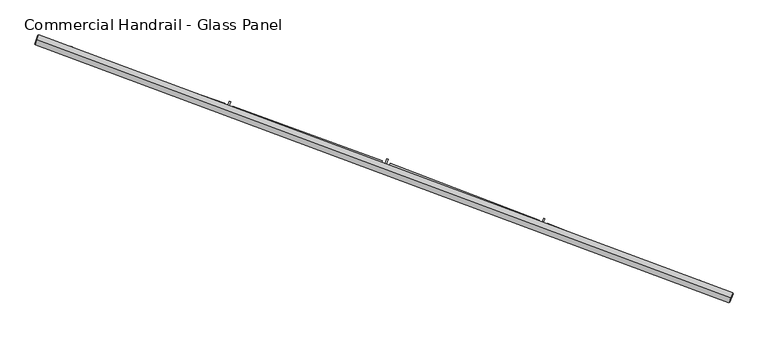
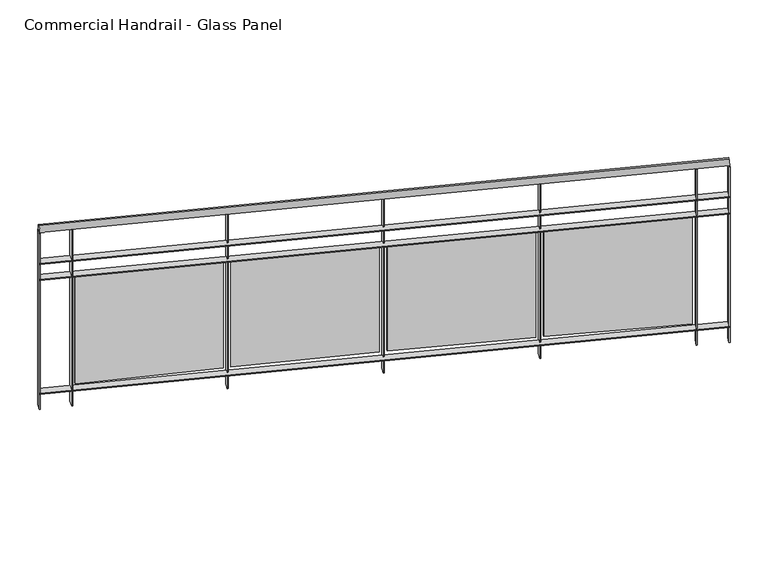
"""IFC4 building model written with IfcOpenShell, lengths in millimetres: railing geometry, Commercial Handrail - Glass Panel."""

from ifc_helpers import new_model, si_unit, point, frame, origin, place, context, project, spatial, polyline, circle_curve, ellipse_curve, trimmed, outline, extrude, source, transform, mapped, element, save
from ifc_brep_helpers import plane_surface, cylinder_surface, revolved_surface, advanced_brep


def commercial_handrail_glass_panel_588426dd(model_context):
    return source(origin(), model_context, "Body", "SolidModel", [
        advanced_brep(
        [(154688.5443704, -12503.5611776, 12882.5), (151378.1394206, -11272.5411914, 12882.5), (151378.1394206, -11272.5411914, 12917.5), (154688.5443704, -12503.5611776, 12917.5)],
        [
            (0, 1, circle_curve(frame((133423.8827296, -64620.9486284, 12882.5), z_axis=(0.0, 0.0, 1.0), x_axis=(0.31896783130581285, 0.9477655419944674, 0.0)), 56288.6126085)),
            (1, 2, ellipse_curve(frame((151378.1394206, -11272.5411914, 12900.0), z_axis=(0.9477655419944653, -0.318967831305819, 0.0), x_axis=(-0.318967831305819, -0.9477655419944653, 0.0)), 25.0, 17.5)),
            (2, 3, circle_curve(frame((133423.8827296, -64620.9486284, 12917.5), z_axis=(0.0, 0.0, -1.0), x_axis=(0.31896783130581285, 0.9477655419944674, 0.0)), 56288.6126085)),
            (3, 0, ellipse_curve(frame((154688.5443704, -12503.5611776, 12900.0), z_axis=(-0.9258957546749953, 0.3777791040738237, 0.0), x_axis=(-0.3777791040738237, -0.9258957546749953, 0.0)), 25.0, 17.5)),
            (2, 1, ellipse_curve(frame((151378.1394206, -11272.5411914, 12900.0), z_axis=(0.9477655419944653, -0.318967831305819, 0.0), x_axis=(-0.318967831305819, -0.9477655419944653, 0.0)), 25.0, 17.5)),
            (0, 3, ellipse_curve(frame((154688.5443704, -12503.5611776, 12900.0), z_axis=(-0.9258957546749953, 0.3777791040738237, 0.0), x_axis=(-0.3777791040738237, -0.9258957546749953, 0.0)), 25.0, 17.5)),
        ],
        [
            revolved_surface(trimmed(ellipse_curve(frame((151378.1394206, -11272.5411914, 12900.0), z_axis=(-0.9477655419944674, 0.31896783130581285, 0.0), x_axis=(0.0, 0.0, -1.0)), 17.5, 25.0), [point((151378.1394206, -11272.5411914, 12917.5))], [point((151378.1394206, -11272.5411914, 12882.5))], True, "CARTESIAN"), (133423.8827296, -64620.9486284, 12900.0), (0.0, 0.0, -1.0)),
            revolved_surface(trimmed(ellipse_curve(frame((151378.1394206, -11272.5411914, 12900.0), z_axis=(-0.9477655419944674, 0.31896783130581285, 0.0), x_axis=(0.0, 0.0, -1.0)), 17.5, 25.0), [point((151378.1394206, -11272.5411914, 12882.5))], [point((151378.1394206, -11272.5411914, 12917.5))], True, "CARTESIAN"), (133423.8827296, -64620.9486284, 12900.0), (0.0, 0.0, -1.0)),
            plane_surface(frame((151378.1394206, -11272.5411914, 12900.0), z_axis=(-0.9477655419944674, 0.31896783130581285, 0.0), x_axis=(0.31896783130581285, 0.9477655419944674, 0.0))),
            plane_surface(frame((154688.5443704, -12503.5611776, 12900.0), z_axis=(0.9258957546749954, -0.3777791040738237, 0.0), x_axis=(0.3777791040738237, 0.9258957546749954, 0.0))),
        ],
        [
            (0, [[1, 2, 3, 4]]),
            (1, [[-3, 5, -1, 6]]),
            (2, [[-2, -5]]),
            (3, [[-6, -4]]),
        ],
    ),
        advanced_brep(
        [(154697.0444003, -12482.7285231, 12700.0), (151385.3161968, -11251.2164667, 12700.0), (151370.9626444, -11293.865916, 12700.0), (154680.0443406, -12524.3938321, 12700.0), (154697.0444003, -12482.7285231, 12694.0), (151385.3161968, -11251.2164667, 12694.0), (154680.0443406, -12524.3938321, 12694.0), (151370.9626444, -11293.865916, 12694.0)],
        [
            (0, 1, circle_curve(frame((133423.8827296, -64620.9486284, 12700.0), z_axis=(0.0, 0.0, 1.0), x_axis=(0.31896783130581285, 0.9477655419944674, 0.0)), 56311.1126085)),
            (1, 2),
            (2, 3, circle_curve(frame((133423.8827296, -64620.9486284, 12700.0), z_axis=(0.0, 0.0, -1.0), x_axis=(0.31896783130581285, 0.9477655419944674, 0.0)), 56266.1126085)),
            (3, 0),
            (4, 5, circle_curve(frame((133423.8827296, -64620.9486284, 12694.0), z_axis=(0.0, 0.0, 1.0), x_axis=(0.31896783130581285, 0.9477655419944674, 0.0)), 56311.1126085)),
            (5, 1),
            (0, 4),
            (6, 7, circle_curve(frame((133423.8827296, -64620.9486284, 12694.0), z_axis=(0.0, 0.0, 1.0), x_axis=(0.31896783130581285, 0.9477655419944674, 0.0)), 56266.1126085)),
            (7, 5),
            (4, 6),
            (2, 7),
            (6, 3),
        ],
        [
            plane_surface(frame((133423.8827296, -64620.9486284, 12700.0), z_axis=(0.0, 0.0, 1.0), x_axis=(0.31896783130581285, 0.9477655419944674, 0.0))),
            cylinder_surface(frame((133423.8827296, -64620.9486284, 12700.0), z_axis=(0.0, 0.0, -1.0), x_axis=(0.31896783130581285, 0.9477655419944674, 0.0)), 56311.1126085),
            plane_surface(frame((133423.8827296, -64620.9486284, 12694.0), z_axis=(0.0, 0.0, -1.0), x_axis=(0.31896783130581285, 0.9477655419944674, 0.0))),
            revolved_surface(polyline([(151370.9626443419, -11293.865916083261, 12694.0), (151370.9626443419, -11293.865916083261, 12700.0)]), (133423.8827296, -64620.9486284, 12700.0), (0.0, 0.0, -1.0)),
            plane_surface(frame((151378.1394206, -11272.5411914, 12700.0), z_axis=(-0.9477655419944674, 0.31896783130581285, 0.0), x_axis=(0.31896783130581285, 0.9477655419944674, 0.0))),
            plane_surface(frame((154688.5443704, -12503.5611776, 12700.0), z_axis=(0.9258957546749954, -0.3777791040738237, 0.0), x_axis=(0.3777791040738237, 0.9258957546749954, 0.0))),
        ],
        [
            (0, [[1, 2, 3, 4]]),
            (1, [[5, 6, -1, 7]]),
            (2, [[8, 9, -5, 10]]),
            (3, [[-3, 11, -8, 12]]),
            (4, [[-2, -6, -9, -11]]),
            (5, [[-12, -10, -7, -4]]),
        ],
    ),
        advanced_brep(
        [(154697.0444003, -12482.7285231, 12600.0), (151385.3161968, -11251.2164667, 12600.0), (151370.9626444, -11293.865916, 12600.0), (154680.0443406, -12524.3938321, 12600.0), (154697.0444003, -12482.7285231, 12594.0), (151385.3161968, -11251.2164667, 12594.0), (154680.0443406, -12524.3938321, 12594.0), (151370.9626444, -11293.865916, 12594.0)],
        [
            (0, 1, circle_curve(frame((133423.8827296, -64620.9486284, 12600.0), z_axis=(0.0, 0.0, 1.0), x_axis=(0.31896783130581285, 0.9477655419944674, 0.0)), 56311.1126085)),
            (1, 2),
            (2, 3, circle_curve(frame((133423.8827296, -64620.9486284, 12600.0), z_axis=(0.0, 0.0, -1.0), x_axis=(0.31896783130581285, 0.9477655419944674, 0.0)), 56266.1126085)),
            (3, 0),
            (4, 5, circle_curve(frame((133423.8827296, -64620.9486284, 12594.0), z_axis=(0.0, 0.0, 1.0), x_axis=(0.31896783130581285, 0.9477655419944674, 0.0)), 56311.1126085)),
            (5, 1),
            (0, 4),
            (6, 7, circle_curve(frame((133423.8827296, -64620.9486284, 12594.0), z_axis=(0.0, 0.0, 1.0), x_axis=(0.31896783130581285, 0.9477655419944674, 0.0)), 56266.1126085)),
            (7, 5),
            (4, 6),
            (2, 7),
            (6, 3),
        ],
        [
            plane_surface(frame((133423.8827296, -64620.9486284, 12600.0), z_axis=(0.0, 0.0, 1.0), x_axis=(0.31896783130581285, 0.9477655419944674, 0.0))),
            cylinder_surface(frame((133423.8827296, -64620.9486284, 12600.0), z_axis=(0.0, 0.0, -1.0), x_axis=(0.31896783130581285, 0.9477655419944674, 0.0)), 56311.1126085),
            plane_surface(frame((133423.8827296, -64620.9486284, 12594.0), z_axis=(0.0, 0.0, -1.0), x_axis=(0.31896783130581285, 0.9477655419944674, 0.0))),
            revolved_surface(polyline([(151370.9626443419, -11293.865916083261, 12594.0), (151370.9626443419, -11293.865916083261, 12600.0)]), (133423.8827296, -64620.9486284, 12600.0), (0.0, 0.0, -1.0)),
            plane_surface(frame((151378.1394206, -11272.5411914, 12600.0), z_axis=(-0.9477655419944674, 0.31896783130581285, 0.0), x_axis=(0.31896783130581285, 0.9477655419944674, 0.0))),
            plane_surface(frame((154688.5443704, -12503.5611776, 12600.0), z_axis=(0.9258957546749954, -0.3777791040738237, 0.0), x_axis=(0.3777791040738237, 0.9258957546749954, 0.0))),
        ],
        [
            (0, [[1, 2, 3, 4]]),
            (1, [[5, 6, -1, 7]]),
            (2, [[8, 9, -5, 10]]),
            (3, [[-3, 11, -8, 12]]),
            (4, [[-2, -6, -9, -11]]),
            (5, [[-12, -10, -7, -4]]),
        ],
    ),
        advanced_brep(
        [(154697.0444003, -12482.7285231, 11900.0), (151385.3161968, -11251.2164667, 11900.0), (151370.9626444, -11293.865916, 11900.0), (154680.0443406, -12524.3938321, 11900.0), (154697.0444003, -12482.7285231, 11894.0), (151385.3161968, -11251.2164667, 11894.0), (154680.0443406, -12524.3938321, 11894.0), (151370.9626444, -11293.865916, 11894.0)],
        [
            (0, 1, circle_curve(frame((133423.8827296, -64620.9486284, 11900.0), z_axis=(0.0, 0.0, 1.0), x_axis=(0.31896783130581285, 0.9477655419944674, 0.0)), 56311.1126085)),
            (1, 2),
            (2, 3, circle_curve(frame((133423.8827296, -64620.9486284, 11900.0), z_axis=(0.0, 0.0, -1.0), x_axis=(0.31896783130581285, 0.9477655419944674, 0.0)), 56266.1126085)),
            (3, 0),
            (4, 5, circle_curve(frame((133423.8827296, -64620.9486284, 11894.0), z_axis=(0.0, 0.0, 1.0), x_axis=(0.31896783130581285, 0.9477655419944674, 0.0)), 56311.1126085)),
            (5, 1),
            (0, 4),
            (6, 7, circle_curve(frame((133423.8827296, -64620.9486284, 11894.0), z_axis=(0.0, 0.0, 1.0), x_axis=(0.31896783130581285, 0.9477655419944674, 0.0)), 56266.1126085)),
            (7, 5),
            (4, 6),
            (2, 7),
            (6, 3),
        ],
        [
            plane_surface(frame((133423.8827296, -64620.9486284, 11900.0), z_axis=(0.0, 0.0, 1.0), x_axis=(0.31896783130581285, 0.9477655419944674, 0.0))),
            cylinder_surface(frame((133423.8827296, -64620.9486284, 11900.0), z_axis=(0.0, 0.0, -1.0), x_axis=(0.31896783130581285, 0.9477655419944674, 0.0)), 56311.1126085),
            plane_surface(frame((133423.8827296, -64620.9486284, 11894.0), z_axis=(0.0, 0.0, -1.0), x_axis=(0.31896783130581285, 0.9477655419944674, 0.0))),
            revolved_surface(polyline([(151370.9626443419, -11293.865916083261, 11894.0), (151370.9626443419, -11293.865916083261, 11900.0)]), (133423.8827296, -64620.9486284, 11900.0), (0.0, 0.0, -1.0)),
            plane_surface(frame((151378.1394206, -11272.5411914, 11900.0), z_axis=(-0.9477655419944674, 0.31896783130581285, 0.0), x_axis=(0.31896783130581285, 0.9477655419944674, 0.0))),
            plane_surface(frame((154688.5443704, -12503.5611776, 11900.0), z_axis=(0.9258957546749954, -0.3777791040738237, 0.0), x_axis=(0.3777791040738237, 0.9258957546749954, 0.0))),
        ],
        [
            (0, [[1, 2, 3, 4]]),
            (1, [[5, 6, -1, 7]]),
            (2, [[8, 9, -5, 10]]),
            (3, [[-3, 11, -8, 12]]),
            (4, [[-2, -6, -9, -11]]),
            (5, [[-12, -10, -7, -4]]),
        ],
    ),
        extrude(outline(polyline([(154523.3199189, -12460.722523), (154540.1968592, -12419.0071914), (154545.7589034, -12421.2574501), (154528.8819631, -12462.9727817), (154523.3199189, -12460.722523)])), frame((0.0, 0.0, 11800.0), z_axis=(0.0, 0.0, 1.0), x_axis=(1.0, 0.0, 0.0)), (0.0, 0.0, 1.0), 1082.1192282),
        extrude(outline(polyline([(153812.1505834, -12146.7040634), (154518.6838869, -12426.7231539), (154514.2625328, -12437.8789429), (153807.7292294, -12157.8598524), (153812.1505834, -12146.7040634)])), frame((0.0, 0.0, 11920.0), z_axis=(0.0, 0.0, 1.0), x_axis=(1.0, 0.0, 0.0)), (0.0, 0.0, 1.0), 660.0),
        extrude(outline(polyline([(153779.8884832, -12166.1255247), (153796.1708612, -12124.1745514), (153801.7643243, -12126.3455351), (153785.4819463, -12168.2965085), (153779.8884832, -12166.1255247)])), frame((0.0, 0.0, 11800.0), z_axis=(0.0, 0.0, 1.0), x_axis=(1.0, 0.0, 0.0)), (0.0, 0.0, 1.0), 1082.1192282),
        extrude(outline(polyline([(153064.3281461, -11862.2459094), (153774.7697208, -12132.1954767), (153770.5073592, -12143.4129753), (153060.0657845, -11873.463408), (153064.3281461, -11862.2459094)])), frame((0.0, 0.0, 11920.0), z_axis=(0.0, 0.0, 1.0), x_axis=(1.0, 0.0, 0.0)), (0.0, 0.0, 1.0), 660.0),
        extrude(outline(polyline([(153032.3453218, -11882.1239179), (153048.0298486, -11839.9457764), (153053.6536008, -11842.0370466), (153037.969074, -11884.2151881), (153032.3453218, -11882.1239179)])), frame((0.0, 0.0, 11800.0), z_axis=(0.0, 0.0, 1.0), x_axis=(1.0, 0.0, 0.0)), (0.0, 0.0, 1.0), 1082.1192282),
        extrude(outline(polyline([(152312.5385196, -11588.4445277), (153026.7448629, -11848.2700444), (153022.6423547, -11859.5469867), (152308.4360114, -11599.7214699), (152312.5385196, -11588.4445277)])), frame((0.0, 0.0, 11920.0), z_axis=(0.0, 0.0, 1.0), x_axis=(1.0, 0.0, 0.0)), (0.0, 0.0, 1.0), 660.0),
        extrude(outline(polyline([(152280.8414314, -11608.775068), (152295.9249389, -11566.378278), (152301.5778442, -11568.3894124), (152286.4943367, -11610.7862024), (152280.8414314, -11608.775068)])), frame((0.0, 0.0, 11800.0), z_axis=(0.0, 0.0, 1.0), x_axis=(1.0, 0.0, 0.0)), (0.0, 0.0, 1.0), 1082.1192282),
        extrude(outline(polyline([(151556.9335585, -11325.3552235), (152274.7604073, -11575.0042073), (152270.8185812, -11586.3383154), (151552.9917324, -11336.6893316), (151556.9335585, -11325.3552235)])), frame((0.0, 0.0, 11920.0), z_axis=(0.0, 0.0, 1.0), x_axis=(1.0, 0.0, 0.0)), (0.0, 0.0, 1.0), 660.0),
        extrude(outline(polyline([(151525.528609, -11346.1341892), (151540.0080505, -11303.5273144), (151545.6889671, -11305.4579066), (151531.2095256, -11348.0647814), (151525.528609, -11346.1341892)])), frame((0.0, 0.0, 11800.0), z_axis=(0.0, 0.0, 1.0), x_axis=(1.0, 0.0, 0.0)), (0.0, 0.0, 1.0), 1082.1192282),
        extrude(outline(polyline([(154677.2666533, -12523.2604948), (154694.266713, -12481.5951858), (154699.8220875, -12483.8618604), (154682.8220279, -12525.5271694), (154677.2666533, -12523.2604948)])), frame((0.0, 0.0, 11800.0), z_axis=(0.0, 0.0, 1.0), x_axis=(1.0, 0.0, 0.0)), (0.0, 0.0, 1.0), 1082.1192282),
        extrude(outline(polyline([(151368.1193477, -11292.9090126), (151382.4729002, -11250.2595632), (151388.1594934, -11252.1733702), (151373.805941, -11294.8228195), (151368.1193477, -11292.9090126)])), frame((0.0, 0.0, 11800.0), z_axis=(0.0, 0.0, 1.0), x_axis=(1.0, 0.0, 0.0)), (0.0, 0.0, 1.0), 1082.1192282),
    ])


if __name__ == "__main__":
    model = new_model("IFC4")
    model_context = context("Model", 3, world=origin())
    ifc_project = project(units=[si_unit("LENGTHUNIT", "METRE", prefix="MILLI")], contexts=[model_context])
    site = spatial("IfcSite", under=ifc_project)
    building = spatial("IfcBuilding", under=site)
    placement = place(None, origin())
    commercial_handrail_glass_panel_shape = commercial_handrail_glass_panel_588426dd(model_context)
    element("IfcRailing", 1, ObjectType="Commercial Handrail - Glass Panel", at=placement, inside=building, context=model_context, shape_type="MappedRepresentation", body=[
        mapped(commercial_handrail_glass_panel_shape, transform((0.0, 0.0, 0.0), x_axis=(1.0, 0.0, 0.0), y_axis=(0.0, 1.0, 0.0), z_axis=(0.0, 0.0, 1.0))),
    ])
    save(model, "model.ifc")
